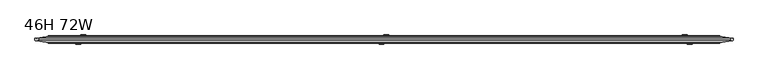
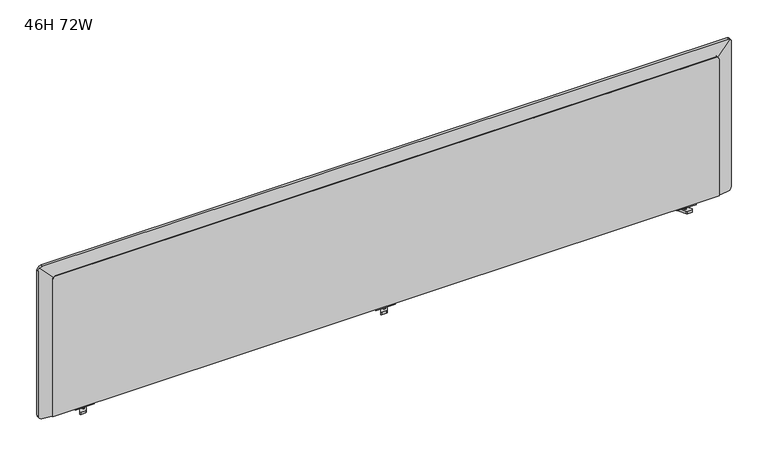
"""IFC4 building model written with IfcOpenShell, lengths in millimetres: furniture geometry, 46H 72W."""

from ifc_helpers import new_model, si_unit, frame, origin, place, context, project, spatial, polyline, ellipse_curve, outline, extrude, faceted_brep, source, transform, mapped, element, save
from ifc_brep_helpers import plane_surface, cylinder_surface, advanced_brep


def furniture_46h_72w_e7da8f79(model_context):
    return source(origin(), model_context, "Body", "SolidModel", [
        extrude(outline(polyline([(721.2018793, 1730.1409019), (725.9008658, 1730.1409019), (725.9008658, 1717.4409049), (732.1172741, 1717.4409049), (732.1172741, 1692.0409019), (725.9008658, 1692.0409019), (725.9008658, 1679.3409049), (721.2018793, 1679.3409049), (721.2018793, 1730.1409019)])), frame((0.0, -16.6504619, 0.0), z_axis=(0.0, 1.0, 0.0), x_axis=(0.0, 0.0, 1.0)), (0.0, 0.0, 1.0), 13.9700003),
        extrude(outline(polyline([(1708.5752851, -10.5329201), (1706.7261429, -12.9427704), (1703.7145807, -13.3392502), (1701.304726, -11.490107), (1700.9082476, -8.478544), (1702.7573898, -6.0686936), (1705.768952, -5.6722139), (1708.1788067, -7.5213571), (1708.5752851, -10.5329201)])), frame((0.0, 0.0, 711.4157034), z_axis=(0.0, 0.0, 1.0), x_axis=(1.0, 0.0, 0.0)), (0.0, 0.0, 1.0), 9.7861759),
        extrude(outline(polyline([(1707.5193963, 0.8486721), (1719.0356992, -19.0981369), (1717.715876, -21.3841369), (1705.3975236, -21.3841369), (1702.7578773, -19.8601361), (1691.2415835, 0.0866728), (1692.5614067, 2.3726729), (1704.87975, 2.3726729), (1707.5193963, 0.8486721)])), frame((0.0, 0.0, 707.642038), z_axis=(0.0, 0.0, 1.0), x_axis=(1.0, 0.0, 0.0)), (0.0, 0.0, 1.0), 6.7296167),
        extrude(outline(polyline([(721.2018793, 889.000863), (721.2018793, 939.8008599), (725.9008658, 939.8008599), (725.9008658, 927.100863), (732.1172741, 927.100863), (732.1172741, 901.7008599), (725.9008658, 901.7008599), (725.9008658, 889.000863), (721.2018793, 889.000863)])), frame((0.0, -16.6504619, 0.0), z_axis=(0.0, 1.0, 0.0), x_axis=(0.0, 0.0, 1.0)), (0.0, 0.0, 1.0), 13.9700003),
        extrude(outline(polyline([(910.5664798, -10.5329201), (910.9629581, -7.5213571), (913.3728128, -5.6722139), (916.384375, -6.0686936), (918.2335172, -8.478544), (917.8370389, -11.490107), (915.4271842, -13.3392502), (912.415622, -12.9427704), (910.5664798, -10.5329201)])), frame((0.0, 0.0, 711.4157034), z_axis=(0.0, 0.0, 1.0), x_axis=(1.0, 0.0, 0.0)), (0.0, 0.0, 1.0), 9.7861759),
        extrude(outline(polyline([(911.6223686, 0.8486721), (914.2620148, 2.3726729), (926.5803581, 2.3726729), (927.9001813, 0.0866728), (916.3838875, -19.8601361), (913.7442412, -21.3841369), (901.4258888, -21.3841369), (900.1060657, -19.0981369), (911.6223686, 0.8486721)])), frame((0.0, 0.0, 707.642038), z_axis=(0.0, 0.0, 1.0), x_axis=(1.0, 0.0, 0.0)), (0.0, 0.0, 1.0), 6.7296167),
        extrude(outline(polyline([(721.2018793, 98.6590981), (721.2018793, 149.4590951), (725.9008658, 149.4590951), (725.9008658, 136.7590981), (732.1172741, 136.7590981), (732.1172741, 111.3590951), (725.9008658, 111.3590951), (725.9008658, 98.6590981), (721.2018793, 98.6590981)])), frame((0.0, -16.6504619, 0.0), z_axis=(0.0, 1.0, 0.0), x_axis=(0.0, 0.0, 1.0)), (0.0, 0.0, 1.0), 13.9700003),
        extrude(outline(polyline([(120.2247149, -10.5329201), (120.6211933, -7.5213571), (123.031048, -5.6722139), (126.0426102, -6.0686936), (127.8917524, -8.478544), (127.495274, -11.490107), (125.0854193, -13.3392502), (122.0738571, -12.9427704), (120.2247149, -10.5329201)])), frame((0.0, 0.0, 711.4157034), z_axis=(0.0, 0.0, 1.0), x_axis=(1.0, 0.0, 0.0)), (0.0, 0.0, 1.0), 9.7861759),
        extrude(outline(polyline([(121.2806037, 0.8486721), (123.92025, 2.3726729), (136.2385933, 2.3726729), (137.5584165, 0.0866728), (126.0421227, -19.8601361), (123.4024764, -21.3841369), (111.084124, -21.3841369), (109.7643008, -19.0981369), (121.2806037, 0.8486721)])), frame((0.0, 0.0, 707.642038), z_axis=(0.0, 0.0, 1.0), x_axis=(1.0, 0.0, 0.0)), (0.0, 0.0, 1.0), 6.7296167),
        faceted_brep([(1783.0303928, -19.05, 1113.3524658), (45.7696072, -19.05, 1113.3524658), (42.9511608, -19.05, 1112.0688569), (41.3638153, -19.05, 1110.7876851), (39.8789498, -19.05, 1108.8755925), (38.5668115, -19.05, 1105.8688006), (38.5668115, -19.05, 725.9008658), (1790.3784903, -19.05, 725.9008658), (1790.3784903, -19.05, 1105.5358386), (1788.9210502, -19.05, 1108.8755925), (1787.4361847, -19.05, 1110.7876851), (1785.8488392, -19.05, 1112.0688569), (1783.0303928, 0.0, 1113.3524658), (1785.8488392, 0.0, 1112.0688569), (1787.4361847, 0.0, 1110.7876851), (1788.9210502, 0.0, 1108.8755925), (1790.3784903, 0.0, 1105.5358386), (1790.3784903, 0.0, 725.9008658), (38.5668115, 0.0, 725.9008658), (38.5668115, 0.0, 1105.8688006), (39.8789498, 0.0, 1108.8755925), (41.3638153, 0.0, 1110.7876851), (42.9511608, 0.0, 1112.0688569), (45.7696072, 0.0, 1113.3524658), (927.5326549, -0.8676631, 725.9008658), (901.2673451, -0.8676631, 725.9008658), (901.2673451, -18.1883634, 725.9008658), (927.5326549, -18.1883634, 725.9008658), (927.5326549, -0.8676631, 727.7829223), (927.5326549, -18.1883634, 727.7829223), (901.2673451, -18.1883634, 727.7829223), (901.2673451, -0.8676631, 727.7829223)], [[[0, 1, 2, 3, 4, 5, 6, 7, 8, 9, 10, 11]], [[12, 13, 14, 15, 16, 17, 18, 19, 20, 21, 22, 23]], [[1, 0, 12, 23]], [[8, 7, 17, 16]], [[6, 5, 19, 18]], [[7, 6, 18, 17], [24, 25, 26, 27]], [[9, 8, 16, 15]], [[10, 9, 15, 14]], [[11, 10, 14, 13]], [[0, 11, 13, 12]], [[28, 29, 30, 31]], [[28, 31, 25, 24]], [[31, 30, 26, 25]], [[30, 29, 27, 26]], [[29, 28, 24, 27]], [[2, 1, 23, 22]], [[3, 2, 22, 21]], [[4, 3, 21, 20]], [[5, 4, 20, 19]]]),
        advanced_brep(
        [(1786.7319147, -1.27, 725.9008658), (1786.7319147, -1.27, 1109.7146704), (1822.4627232, -6.2916377, 1145.4454789), (1824.7613101, -6.614683, 1139.8961994), (1824.7613101, -6.614683, 735.3489026), (1824.4156469, -6.5661032, 732.9703649), (1823.40075, -6.4234687, 730.6446347), (1821.9158842, -6.2147844, 728.7325421), (1820.3285387, -5.9916976, 727.4513703), (1817.9394023, -5.6559264, 726.3633553), (1815.4846479, -5.3109331, 725.9008658), (1786.7319147, -17.78, 1109.7146704), (1786.7319147, -17.78, 725.9008658), (1815.4846479, -13.5347865, 725.9008658), (1817.9394023, -13.1723529, 726.3633553), (1820.3285387, -12.8196075, 727.4513703), (1821.9158842, -12.585243, 728.7325421), (1823.40075, -12.3660092, 730.6446347), (1824.4156469, -12.2161641, 732.9703649), (1824.7613101, -12.1651285, 735.3489026), (1824.7613101, -12.1651285, 1139.8961994), (1822.4627232, -12.5045047, 1145.4454789), (42.0680819, -1.27, 1109.7146704), (42.0680819, -1.27, 725.9008658), (13.3153521, -5.3109327, 725.9008658), (10.8605977, -5.6559259, 726.3633553), (8.4714613, -5.9916971, 727.4513703), (6.8841158, -6.214784, 728.7325421), (5.39925, -6.4234682, 730.6446347), (4.3843531, -6.5661027, 732.9703649), (4.0386865, -6.614683, 735.3489261), (4.0386865, -6.614683, 1136.4742879), (7.339528, -6.15078, 1144.4432242), (42.0680819, -17.78, 725.9008658), (42.0680819, -17.78, 1109.7146704), (7.339528, -12.6524831, 1144.4432242), (4.0386865, -12.1651285, 1136.4742879), (4.0386865, -12.1651285, 735.3489261), (4.3843531, -12.2161646, 732.9703649), (5.39925, -12.3660097, 730.6446347), (6.8841158, -12.5852435, 728.7325421), (8.4714613, -12.819608, 727.4513703), (10.8605977, -13.1723534, 726.3633553), (13.3153521, -13.534787, 725.9008658), (15.3084644, -6.614683, 1147.7440658), (1816.9134437, -6.614683, 1147.7440658), (1816.9134437, -12.1651285, 1147.7440658), (15.3084644, -12.1651285, 1147.7440658)],
        [
            (0, 1),
            (1, 2),
            (2, 3, ellipse_curve(frame((1816.9134437, -5.5117373, 1139.8961994), z_axis=(0.1391731009600647, 0.9902680687415705, 0.0), x_axis=(-0.9902680687415707, 0.13917310096006372, 0.0)), 7.9249919, 7.8478664)),
            (3, 4),
            (4, 5),
            (5, 6),
            (6, 7),
            (7, 8),
            (8, 9),
            (9, 10),
            (10, 0),
            (11, 12),
            (12, 13),
            (13, 14),
            (14, 15),
            (15, 16),
            (16, 17),
            (17, 18),
            (18, 19),
            (19, 20),
            (20, 21, ellipse_curve(frame((1816.9134437, -13.3238312, 1139.8961994), z_axis=(0.1460621261961634, -0.9892754193302571, 0.0), x_axis=(0.989275419330257, 0.14606212619616374, 0.0)), 7.9329439, 7.8478664)),
            (21, 11),
            (22, 23),
            (23, 24),
            (24, 25),
            (25, 26),
            (26, 27),
            (27, 28),
            (28, 29),
            (29, 30),
            (30, 31),
            (31, 32, ellipse_curve(frame((15.3084644, -5.030819, 1136.4742879), z_axis=(-0.1391731009600647, 0.9902680687415705, 0.0), x_axis=(0.9902680687415707, 0.13917310096006372, 0.0)), 11.3805324, 11.2697779)),
            (32, 22),
            (33, 34),
            (34, 35),
            (35, 36, ellipse_curve(frame((15.3084644, -13.8290612, 1136.4742879), z_axis=(-0.1460621261961634, -0.9892754193302571, 0.0), x_axis=(-0.989275419330257, 0.14606212619616374, 0.0)), 11.3919518, 11.2697779)),
            (36, 37),
            (37, 38),
            (38, 39),
            (39, 40),
            (40, 41),
            (41, 42),
            (42, 43),
            (43, 33),
            (1, 22),
            (32, 44, ellipse_curve(frame((15.3084644, -5.030819, 1136.4742879), z_axis=(0.0, 0.9902680687415636, 0.13917310096011357), x_axis=(0.0, 0.13917310096011315, -0.9902680687415636)), 11.3805324, 11.2697779)),
            (44, 45),
            (45, 2, ellipse_curve(frame((1816.9134437, -5.5117373, 1139.8961994), z_axis=(0.0, 0.9902680687415636, 0.13917310096011357), x_axis=(0.0, 0.13917310096011315, -0.9902680687415636)), 7.9249919, 7.8478664)),
            (34, 11),
            (21, 46, ellipse_curve(frame((1816.9134437, -13.3238312, 1139.8961994), z_axis=(0.0, -0.9892754193302643, 0.14606212619611458), x_axis=(0.0, 0.1460621261961151, 0.9892754193302642)), 7.9329439, 7.8478664)),
            (46, 47),
            (47, 35, ellipse_curve(frame((15.3084644, -13.8290612, 1136.4742879), z_axis=(0.0, -0.9892754193302643, 0.14606212619611458), x_axis=(0.0, 0.1460621261961151, 0.9892754193302642)), 11.3919518, 11.2697779)),
            (0, 12),
            (11, 1),
            (33, 23),
            (22, 34),
            (19, 4),
            (3, 20),
            (30, 37),
            (36, 31),
            (46, 45),
            (44, 47),
            (43, 24),
            (10, 13),
            (42, 25),
            (41, 26),
            (40, 27),
            (39, 28),
            (38, 29),
            (18, 5),
            (17, 6),
            (16, 7),
            (15, 8),
            (14, 9),
        ],
        [
            plane_surface(frame((1824.7613101, -6.614683, 1147.7440658), z_axis=(0.1391731009600647, 0.9902680687415705, 0.0), x_axis=(0.0, 0.0, -1.0))),
            plane_surface(frame((1786.7319147, -17.78, 1109.7146704), z_axis=(0.1460621261961634, -0.9892754193302571, 0.0), x_axis=(0.0, 0.0, -1.0))),
            plane_surface(frame((4.0386865, -6.614683, 725.9008658), z_axis=(-0.1391731009600647, 0.9902680687415705, 0.0), x_axis=(0.0, 0.0, 1.0))),
            plane_surface(frame((42.0680819, -17.78, 725.9008658), z_axis=(-0.1460621261961634, -0.9892754193302571, 0.0), x_axis=(0.0, 0.0, 1.0))),
            plane_surface(frame((4.0386865, -6.614683, 1147.7440658), z_axis=(0.0, 0.9902680687415636, 0.13917310096011357), x_axis=(1.0, 0.0, 0.0))),
            plane_surface(frame((42.0680819, -17.78, 1109.7146704), z_axis=(0.0, -0.9892754193302643, 0.14606212619611458), x_axis=(1.0, 0.0, 0.0))),
            plane_surface(frame((1786.7319147, -1.27, 1109.7146704), z_axis=(-1.0, 0.0, 0.0), x_axis=(0.0, 0.0, -1.0))),
            plane_surface(frame((42.0680819, -1.27, 725.9008658), z_axis=(1.0, 0.0, 0.0), x_axis=(0.0, 0.0, 1.0))),
            plane_surface(frame((42.0680819, -1.27, 1109.7146704), z_axis=(0.0, 0.0, -1.0), x_axis=(1.0, 0.0, 0.0))),
            plane_surface(frame((1824.7613101, -12.1651285, 1147.7440658), z_axis=(1.0, 0.0, 0.0), x_axis=(0.0, 0.0, -1.0))),
            plane_surface(frame((4.0386865, -12.1651285, 725.9008658), z_axis=(-1.0, 0.0, 0.0), x_axis=(0.0, 0.0, 1.0))),
            plane_surface(frame((4.0386865, -12.1651285, 1147.7440658), z_axis=(0.0, 0.0, 1.0), x_axis=(1.0, 0.0, 0.0))),
            plane_surface(frame((4.0386865, 0.0, 725.9008658), z_axis=(0.0, 0.0, -1.0), x_axis=(0.0, -1.0, 0.0))),
            plane_surface(frame((1824.7613101, 0.0, 725.9008658), z_axis=(0.0, 0.0, -1.0), x_axis=(0.0, -1.0, 0.0))),
            plane_surface(frame((13.3153521, -30.0355176, 725.9008658), z_axis=(-0.18514822307847145, 0.0, -0.9827106061760424), x_axis=(0.0, 1.0, 0.0))),
            plane_surface(frame((10.8605977, -30.0355176, 726.3633553), z_axis=(-0.41444808786660453, 0.0, -0.9100729544732747), x_axis=(0.0, 1.0, 0.0))),
            plane_surface(frame((8.4714613, -30.0355176, 727.4513703), z_axis=(-0.6280656236652712, 0.0, -0.7781603770238844), x_axis=(0.0, 1.0, 0.0))),
            plane_surface(frame((6.8841158, -30.0355176, 728.7325421), z_axis=(-0.7898158751875455, 0.0, -0.6133440170913316), x_axis=(0.0, 1.0, 0.0))),
            plane_surface(frame((5.39925, -30.0355176, 730.6446347), z_axis=(-0.9165346264601943, 0.0, -0.3999553456318242), x_axis=(0.0, 1.0, 0.0))),
            plane_surface(frame((4.3843531, -30.0355176, 732.9703649), z_axis=(-0.9896045655144949, 0.0, -0.14381517274914976), x_axis=(0.0, 1.0, 0.0))),
            plane_surface(frame((1824.7613101, -30.0355176, 735.3489026), z_axis=(0.9896045655139214, 0.0, -0.14381517275309708), x_axis=(0.0, 1.0, 0.0))),
            plane_surface(frame((1824.4156469, -30.0355176, 732.9703649), z_axis=(0.9165346264601943, 0.0, -0.3999553456318242), x_axis=(0.0, 1.0, 0.0))),
            plane_surface(frame((1823.40075, -30.0355176, 730.6446347), z_axis=(0.7898158751874913, 0.0, -0.6133440170914014), x_axis=(0.0, 1.0, 0.0))),
            plane_surface(frame((1821.9158842, -30.0355176, 728.7325421), z_axis=(0.628065623665255, 0.0, -0.7781603770238975), x_axis=(0.0, 1.0, 0.0))),
            plane_surface(frame((1820.3285387, -30.0355176, 727.4513703), z_axis=(0.41444808786661425, 0.0, -0.9100729544732703), x_axis=(0.0, 1.0, 0.0))),
            plane_surface(frame((1817.9394023, -30.0355176, 726.3633553), z_axis=(0.18514822316973073, 0.0, -0.9827106061588486), x_axis=(0.0, 1.0, 0.0))),
            cylinder_surface(frame((1816.9134437, 0.0, 1139.8961994), z_axis=(0.0, 1.0, 0.0), x_axis=(1.0, 0.0, 0.0)), 7.8478664),
            cylinder_surface(frame((15.3084644, 0.0, 1136.4742879), z_axis=(0.0, 1.0, 0.0), x_axis=(1.0, 0.0, 0.0)), 11.2697779),
        ],
        [
            (0, [[1, 2, 3, 4, 5, 6, 7, 8, 9, 10, 11]]),
            (1, [[12, 13, 14, 15, 16, 17, 18, 19, 20, 21, 22]]),
            (2, [[23, 24, 25, 26, 27, 28, 29, 30, 31, 32, 33]]),
            (3, [[34, 35, 36, 37, 38, 39, 40, 41, 42, 43, 44]]),
            (4, [[45, -33, 46, 47, 48, -2]]),
            (5, [[49, -22, 50, 51, 52, -35]]),
            (6, [[-1, 53, -12, 54]]),
            (7, [[55, -23, 56, -34]]),
            (8, [[-45, -54, -49, -56]]),
            (9, [[57, -4, 58, -20]]),
            (10, [[59, -37, 60, -31]]),
            (11, [[61, -47, 62, -51]]),
            (12, [[-55, -44, 63, -24]]),
            (13, [[-53, -11, 64, -13]]),
            (14, [[65, -25, -63, -43]]),
            (15, [[-65, -42, 66, -26]]),
            (16, [[-66, -41, 67, -27]]),
            (17, [[-67, -40, 68, -28]]),
            (18, [[-68, -39, 69, -29]]),
            (19, [[-69, -38, -59, -30]]),
            (20, [[70, -5, -57, -19]]),
            (21, [[-70, -18, 71, -6]]),
            (22, [[-71, -17, 72, -7]]),
            (23, [[-72, -16, 73, -8]]),
            (24, [[-73, -15, 74, -9]]),
            (25, [[-74, -14, -64, -10]]),
            (26, [[-3, -48, -61, -50, -21, -58]]),
            (27, [[-32, -60, -36, -52, -62, -46]]),
        ],
    ),
    ])


if __name__ == "__main__":
    model = new_model("IFC4")
    model_context = context("Model", 3, world=origin())
    ifc_project = project(units=[si_unit("LENGTHUNIT", "METRE", prefix="MILLI")], contexts=[model_context])
    site = spatial("IfcSite", under=ifc_project)
    building = spatial("IfcBuilding", under=site)
    placement = place(None, origin())
    furniture_46h_72w_shape = furniture_46h_72w_e7da8f79(model_context)
    element("IfcFurniture", 1, ObjectType="46H 72W", at=placement, inside=building, context=model_context, shape_type="MappedRepresentation", body=[
        mapped(furniture_46h_72w_shape, transform((0.0, 0.0, 0.0), x_axis=(1.0, 0.0, 0.0), y_axis=(0.0, 1.0, 0.0), z_axis=(0.0, 0.0, 1.0))),
    ])
    save(model, "model.ifc")
